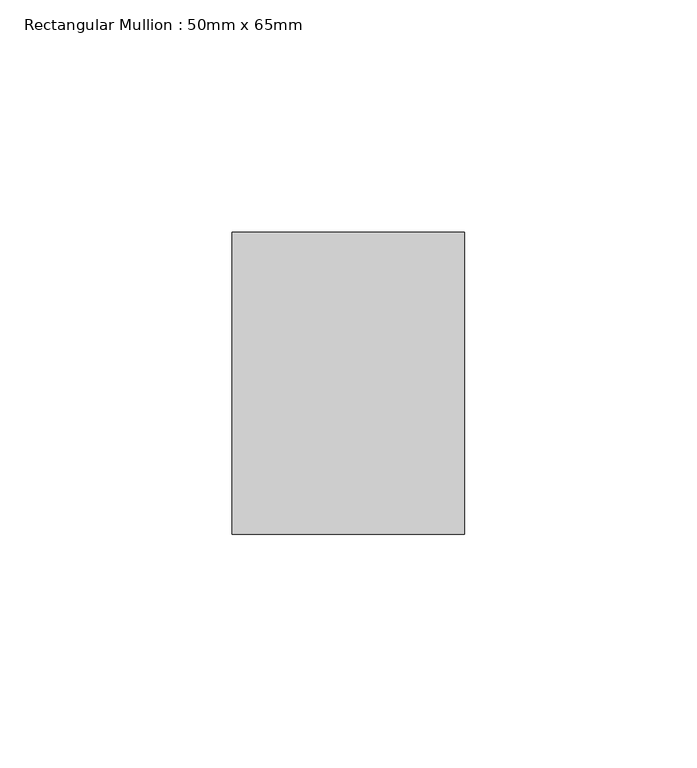
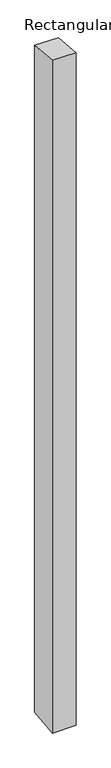
"""IFC4 building model written with IfcOpenShell, lengths in millimetres: member geometry, Rectangular Mullion : 50mm x 65mm."""

from ifc_helpers import new_model, si_unit, origin, place, context, project, spatial, faceted_brep, source, transform, mapped, element, save


def rectangular_mullion_50mm_x_65mm_b61f4e84(model_context):
    return source(origin(), model_context, "Body", "Brep", [
        faceted_brep([(-25.0, 32.5, -2.9911576), (25.0, 32.5, -2.9911525), (25.0, 32.5, -1496.6283192), (-25.0, 32.5, -1496.6283134), (-25.0, -32.5, 2.9911525), (-25.0, -32.5, -1503.3716738), (25.0, -32.5, 2.9911576), (25.0, -32.5, -1503.3716795)], [[[0, 1, 2, 3]], [[4, 0, 3, 5]], [[6, 4, 5, 7]], [[1, 6, 7, 2]], [[1, 0, 4, 6]], [[2, 7, 5, 3]]]),
    ])


if __name__ == "__main__":
    model = new_model("IFC4")
    model_context = context("Model", 3, world=origin())
    ifc_project = project(units=[si_unit("LENGTHUNIT", "METRE", prefix="MILLI")], contexts=[model_context])
    site = spatial("IfcSite", under=ifc_project)
    building = spatial("IfcBuilding", under=site)
    placement = place(None, origin())
    rectangular_mullion_50mm_x_65mm_shape = rectangular_mullion_50mm_x_65mm_b61f4e84(model_context)
    element("IfcMember", 1, ObjectType="Rectangular Mullion : 50mm x 65mm", at=placement, inside=building, context=model_context, shape_type="MappedRepresentation", body=[
        mapped(rectangular_mullion_50mm_x_65mm_shape, transform((0.0, 0.0, 0.0), x_axis=(1.0, 0.0, 0.0), y_axis=(0.0, 1.0, 0.0), z_axis=(0.0, 0.0, 1.0))),
    ])
    save(model, "model.ifc")
